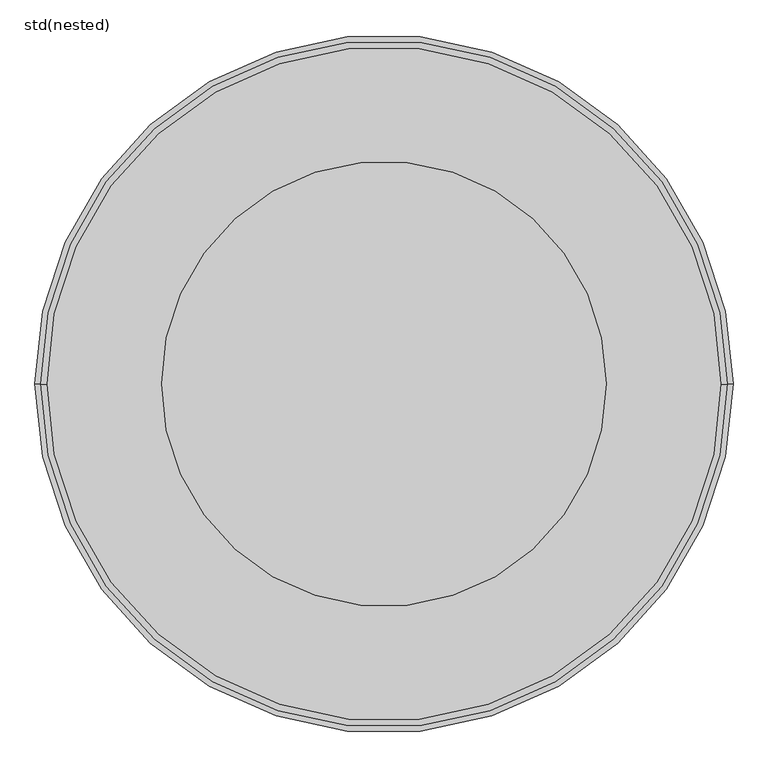
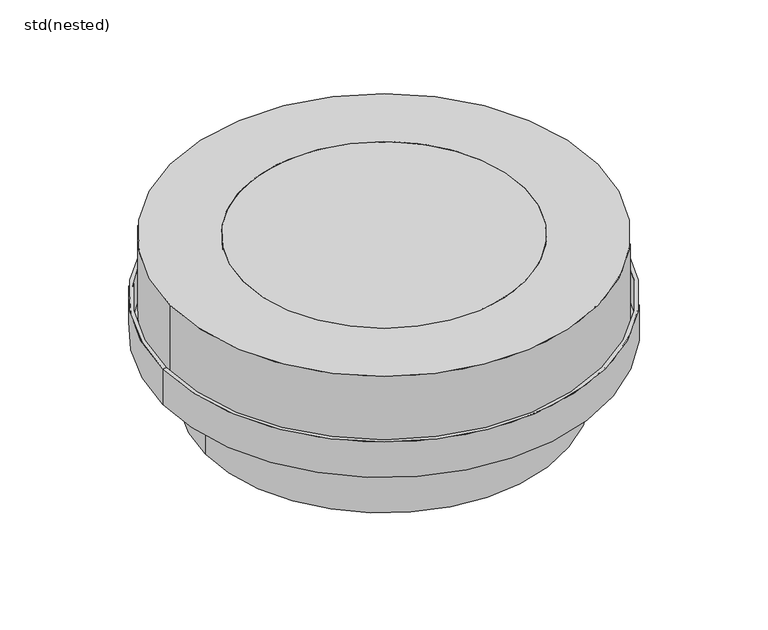
"""IFC4 building model written with IfcOpenShell, lengths in millimetres: unitary equipment geometry, std(nested)."""

from ifc_helpers import new_model, si_unit, point, frame, origin, origin_2d, place, context, project, spatial, polyline, circle_curve, trimmed, segment, composite_curve, outline, extrude, source, transform, mapped, element, save
from ifc_brep_helpers import plane_surface, cylinder_surface, revolved_surface, advanced_brep


def std_nested_7a700d74(model_context):
    return source(origin(), model_context, "Body", "SolidModel", [
        advanced_brep(
        [(-510.0, 0.0, -150.0), (510.0, 0.0, -150.0), (518.0, 0.0, -150.0), (-518.0, 0.0, -150.0), (-510.0, 0.0, -230.0), (510.0, 0.0, -230.0), (-410.0, 0.0, -230.0), (410.0, 0.0, -230.0), (-410.0, 0.0, -396.0), (410.0, 0.0, -396.0), (-418.0, 0.0, -396.0), (418.0, 0.0, -396.0), (-418.0, 0.0, -238.0), (418.0, 0.0, -238.0), (-518.0, 0.0, -238.0), (518.0, 0.0, -238.0)],
        [
            (0, 1, circle_curve(frame((0.0, 0.0, -150.0), z_axis=(0.0, 0.0, -1.0), x_axis=(1.0, 0.0, 0.0)), 510.0)),
            (1, 2),
            (2, 3, circle_curve(frame((0.0, 0.0, -150.0), z_axis=(0.0, 0.0, 1.0), x_axis=(1.0, 0.0, 0.0)), 518.0)),
            (3, 0),
            (1, 0, circle_curve(frame((0.0, 0.0, -150.0), z_axis=(0.0, 0.0, -1.0), x_axis=(1.0, 0.0, 0.0)), 510.0)),
            (3, 2, circle_curve(frame((0.0, 0.0, -150.0), z_axis=(0.0, 0.0, 1.0), x_axis=(1.0, 0.0, 0.0)), 518.0)),
            (4, 5, circle_curve(frame((0.0, 0.0, -230.0), z_axis=(0.0, 0.0, -1.0), x_axis=(1.0, 0.0, 0.0)), 510.0)),
            (5, 1),
            (0, 4),
            (5, 4, circle_curve(frame((0.0, 0.0, -230.0), z_axis=(0.0, 0.0, -1.0), x_axis=(1.0, 0.0, 0.0)), 510.0)),
            (6, 7, circle_curve(frame((0.0, 0.0, -230.0), z_axis=(0.0, 0.0, -1.0), x_axis=(1.0, 0.0, 0.0)), 410.0)),
            (7, 5),
            (4, 6),
            (7, 6, circle_curve(frame((0.0, 0.0, -230.0), z_axis=(0.0, 0.0, -1.0), x_axis=(1.0, 0.0, 0.0)), 410.0)),
            (8, 9, circle_curve(frame((0.0, 0.0, -396.0), z_axis=(0.0, 0.0, -1.0), x_axis=(1.0, 0.0, 0.0)), 410.0)),
            (9, 7),
            (6, 8),
            (9, 8, circle_curve(frame((0.0, 0.0, -396.0), z_axis=(0.0, 0.0, -1.0), x_axis=(1.0, 0.0, 0.0)), 410.0)),
            (10, 11, circle_curve(frame((0.0, 0.0, -396.0), z_axis=(0.0, 0.0, -1.0), x_axis=(1.0, 0.0, 0.0)), 418.0)),
            (11, 9),
            (8, 10),
            (11, 10, circle_curve(frame((0.0, 0.0, -396.0), z_axis=(0.0, 0.0, -1.0), x_axis=(1.0, 0.0, 0.0)), 418.0)),
            (12, 13, circle_curve(frame((0.0, 0.0, -238.0), z_axis=(0.0, 0.0, -1.0), x_axis=(1.0, 0.0, 0.0)), 418.0)),
            (13, 11),
            (10, 12),
            (13, 12, circle_curve(frame((0.0, 0.0, -238.0), z_axis=(0.0, 0.0, -1.0), x_axis=(1.0, 0.0, 0.0)), 418.0)),
            (14, 15, circle_curve(frame((0.0, 0.0, -238.0), z_axis=(0.0, 0.0, -1.0), x_axis=(1.0, 0.0, 0.0)), 518.0)),
            (15, 13),
            (12, 14),
            (15, 14, circle_curve(frame((0.0, 0.0, -238.0), z_axis=(0.0, 0.0, -1.0), x_axis=(1.0, 0.0, 0.0)), 518.0)),
            (2, 15),
            (14, 3),
        ],
        [
            plane_surface(frame((0.0, 0.0, -150.0), z_axis=(0.0, 0.0, 1.0), x_axis=(1.0, 0.0, 0.0))),
            revolved_surface(polyline([(510.0, 0.0, -150.0), (510.0, 0.0, -230.0)]), (0.0, 0.0, 695.0), (0.0, 0.0, 1.0)),
            plane_surface(frame((0.0, 0.0, -230.0), z_axis=(0.0, 0.0, 1.0), x_axis=(1.0, 0.0, 0.0))),
            revolved_surface(polyline([(410.0, 0.0, -230.0), (410.0, 0.0, -396.0)]), (0.0, 0.0, 695.0), (0.0, 0.0, 1.0)),
            plane_surface(frame((0.0, 0.0, -396.0), z_axis=(0.0, 0.0, -1.0), x_axis=(1.0, 0.0, 0.0))),
            cylinder_surface(frame((0.0, 0.0, 695.0), z_axis=(0.0, 0.0, 1.0), x_axis=(1.0, 0.0, 0.0)), 418.0),
            plane_surface(frame((0.0, 0.0, -238.0), z_axis=(0.0, 0.0, -1.0), x_axis=(1.0, 0.0, 0.0))),
            cylinder_surface(frame((0.0, 0.0, 695.0), z_axis=(0.0, 0.0, 1.0), x_axis=(1.0, 0.0, 0.0)), 518.0),
        ],
        [
            (0, [[1, 2, 3, 4]]),
            (0, [[5, -4, 6, -2]]),
            (1, [[7, 8, -1, 9]]),
            (1, [[10, -9, -5, -8]]),
            (2, [[11, 12, -7, 13]]),
            (2, [[14, -13, -10, -12]]),
            (3, [[15, 16, -11, 17]]),
            (3, [[18, -17, -14, -16]]),
            (4, [[19, 20, -15, 21]]),
            (4, [[22, -21, -18, -20]]),
            (5, [[23, 24, -19, 25]]),
            (5, [[26, -25, -22, -24]]),
            (6, [[27, 28, -23, 29]]),
            (6, [[30, -29, -26, -28]]),
            (7, [[-3, 31, -27, 32]]),
            (7, [[-6, -32, -30, -31]]),
        ],
    ),
        extrude(outline(composite_curve([segment(trimmed(circle_curve(origin_2d(), 500.0), [point((-500.0, 0.0))], [point((500.0, 0.0))], False, "CARTESIAN"), True, "CONTINUOUS"), segment(trimmed(circle_curve(origin_2d(), 500.0), [point((500.0, 0.0))], [point((-500.0, 0.0))], False, "CARTESIAN"), True, "CONTINUOUS")], self_intersect=False), holes=[composite_curve([segment(trimmed(circle_curve(origin_2d(), 330.0), [point((-330.0, 0.0))], [point((330.0, 0.0))], True, "CARTESIAN"), True, "CONTINUOUS"), segment(trimmed(circle_curve(origin_2d(), 330.0), [point((330.0, 0.0))], [point((-330.0, 0.0))], True, "CARTESIAN"), True, "CONTINUOUS")], self_intersect=False)]), frame((0.0, 0.0, -200.1138553), z_axis=(0.0, 0.0, 1.0), x_axis=(1.0, 0.0, 0.0)), (0.0, 0.0, 1.0), 200.1138553),
        extrude(outline(composite_curve([segment(trimmed(circle_curve(origin_2d(), 330.0), [point((-330.0, 0.0))], [point((330.0, 0.0))], False, "CARTESIAN"), True, "CONTINUOUS"), segment(trimmed(circle_curve(origin_2d(), 330.0), [point((330.0, 0.0))], [point((-330.0, 0.0))], False, "CARTESIAN"), True, "CONTINUOUS")], self_intersect=False)), frame((0.0, 0.0, -185.8087682), z_axis=(0.0, 0.0, 1.0), x_axis=(1.0, 0.0, 0.0)), (0.0, 0.0, 1.0), 185.8087682),
    ])


if __name__ == "__main__":
    model = new_model("IFC4")
    model_context = context("Model", 3, world=origin())
    ifc_project = project(units=[si_unit("LENGTHUNIT", "METRE", prefix="MILLI")], contexts=[model_context])
    site = spatial("IfcSite", under=ifc_project)
    building = spatial("IfcBuilding", under=site)
    placement = place(None, origin())
    std_nested_shape = std_nested_7a700d74(model_context)
    element("IfcUnitaryEquipment", 1, ObjectType="std(nested)", at=placement, inside=building, context=model_context, shape_type="MappedRepresentation", body=[
        mapped(std_nested_shape, transform((0.0, 0.0, 0.0), x_axis=(1.0, 0.0, 0.0), y_axis=(0.0, 1.0, 0.0), z_axis=(0.0, 0.0, 1.0))),
    ])
    save(model, "model.ifc")
